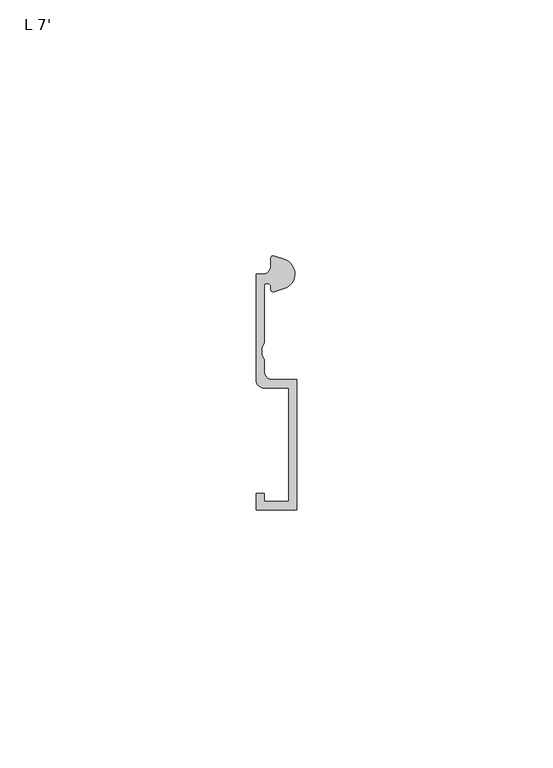
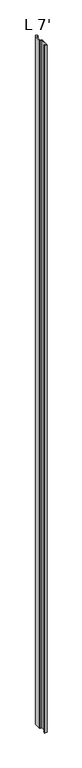
"""IFC4 building model written with IfcOpenShell, lengths in millimetres: proxy geometry, L 7'."""

from ifc_helpers import new_model, si_unit, point, frame_2d, origin, origin_with_axes, place, context, project, spatial, polyline, circle_curve, trimmed, segment, composite_curve, outline, extrude, source, transform, mapped, element, save


def l_7_171cf905(model_context):
    return source(origin(), model_context, "Body", "SweptSolid", [
        extrude(outline(composite_curve([segment(trimmed(circle_curve(frame_2d((4.5018192, -3.531999)), 3.048), [point((5.4099313, -0.6224223))], [point((7.1037699, -1.944499))], False, "CARTESIAN"), True, "CONTINUOUS"), segment(trimmed(circle_curve(frame_2d((4.5018192, -3.531999)), 3.048), [point((7.1037699, -1.944499))], [point((5.4099313, -6.4415757))], False, "CARTESIAN"), True, "CONTINUOUS"), segment(polyline([(5.4099313, -6.4415757), (3.6135887, -7.0022347)]), True, "CONTINUOUS"), segment(trimmed(circle_curve(frame_2d((3.4254762, -6.4635334)), 0.5706009), [point((3.6135887, -7.0022347))], [point((2.8720827, -6.3244611))], False, "CARTESIAN"), True, "CONTINUOUS"), segment(trimmed(circle_curve(frame_2d((2.1330622, -6.1387392)), 0.762), [point((2.8720827, -6.3244611))], [point((2.1123834, -5.3770198))], True, "CARTESIAN"), True, "CONTINUOUS"), segment(trimmed(circle_curve(frame_2d((2.0955, -5.8847392)), 0.508), [point((2.1123834, -5.3770198))], [point((1.5875, -5.8847392))], True, "CARTESIAN"), True, "CONTINUOUS"), segment(polyline([(1.5875, -5.8847392), (1.5875, -17.0723512), (1.0783361, -17.9897709), (1.0783361, -19.3299316), (1.5875, -20.2473512), (1.5875, -22.6259797)]), True, "CONTINUOUS"), segment(trimmed(circle_curve(frame_2d((3.175, -22.6259797)), 1.5875), [point((1.5875, -22.6259797))], [point((3.175, -24.2134797))], True, "CARTESIAN"), True, "CONTINUOUS"), segment(polyline([(3.175, -24.2134797), (7.9375, -24.2134797), (7.9375, -49.6175641), (0.0, -49.6175641), (0.0, -46.4425641), (1.5875, -46.4425641), (1.5875, -48.0300641), (6.35, -48.0300641), (6.35, -25.8237392), (1.5875, -25.8237392)]), True, "CONTINUOUS"), segment(trimmed(circle_curve(frame_2d((1.5875, -24.2362392)), 1.5875), [point((1.5875, -25.8237392))], [point((0.0, -24.2362392))], False, "CARTESIAN"), True, "CONTINUOUS"), segment(polyline([(0.0, -24.2362392), (0.0, -3.5987392), (1.3075622, -3.5987392)]), True, "CONTINUOUS"), segment(trimmed(circle_curve(frame_2d((1.3075622, -2.0112392)), 1.5875), [point((1.3075622, -3.5987392))], [point((2.8950622, -2.0112392))], True, "CARTESIAN"), True, "CONTINUOUS"), segment(polyline([(2.8950622, -2.0112392), (2.8950622, -0.4696291)]), True, "CONTINUOUS"), segment(trimmed(circle_curve(frame_2d((3.3646912, -0.4696291)), 0.4696291), [point((2.8950622, -0.4696291))], [point((3.5749842, -0.0497144))], False, "CARTESIAN"), True, "CONTINUOUS"), segment(polyline([(3.5749842, -0.0497144), (5.4099313, -0.6224223)]), True, "CONTINUOUS")], self_intersect=False)), origin_with_axes(), (0.0, 0.0, 1.0), 2133.6),
    ])


if __name__ == "__main__":
    model = new_model("IFC4")
    model_context = context("Model", 3, world=origin())
    ifc_project = project(units=[si_unit("LENGTHUNIT", "METRE", prefix="MILLI")], contexts=[model_context])
    site = spatial("IfcSite", under=ifc_project)
    building = spatial("IfcBuilding", under=site)
    placement = place(None, origin())
    l_7_shape = l_7_171cf905(model_context)
    element("IfcBuildingElementProxy", 1, Name="L 7'", ObjectType="L 7'", at=placement, inside=building, context=model_context, shape_type="MappedRepresentation", body=[
        mapped(l_7_shape, transform((0.0, 0.0, 0.0), x_axis=(1.0, 0.0, 0.0), y_axis=(0.0, 1.0, 0.0), z_axis=(0.0, 0.0, 1.0))),
    ])
    save(model, "model.ifc")
